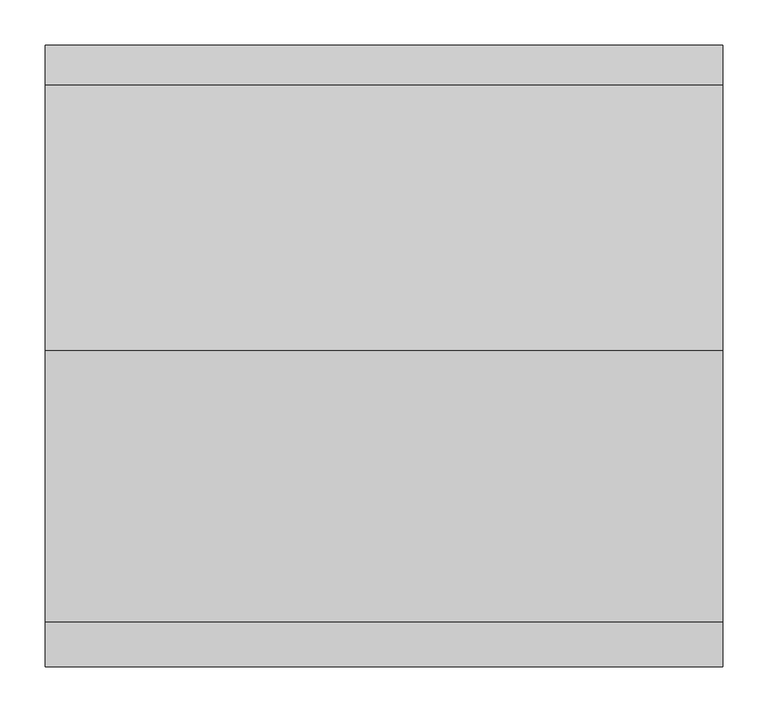
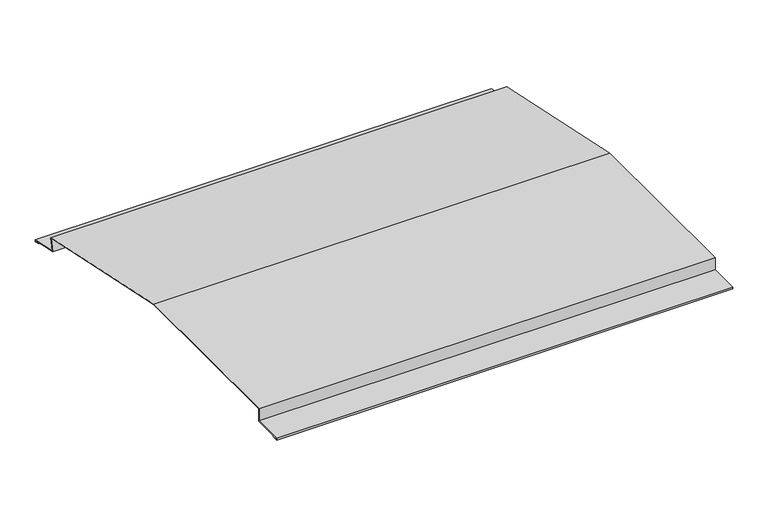
"""IFC4 building model written with IfcOpenShell, lengths in millimetres: proxy geometry."""

from ifc_helpers import new_model, si_unit, frame, origin, place, context, project, spatial, polyline, outline, extrude, source, transform, mapped, element, save


def generic_models_307dcc64(model_context):
    return source(origin(), model_context, "Body", "SweptSolid", [
        extrude(outline(polyline([(-347.2672899, 2.0), (-347.2672899, 5.0), (-297.2672899, 5.0), (-297.2672899, 26.0), (2.7327101, 26.0), (296.1769903, -36.3735072), (291.8108448, -56.9146069), (340.7182249, -67.3101914), (340.0944898, -70.2446342), (330.3130138, -68.1655173), (330.5209255, -67.1873697), (339.3242539, -69.0585749), (339.5321656, -68.0804273), (290.6247855, -57.6848428), (294.990931, -37.1437432), (2.6276059, 25.0), (-296.2672899, 25.0), (-296.2672899, 4.0), (-346.2672899, 4.0), (-346.2672899, 3.0), (-337.2672899, 3.0), (-337.2672899, 2.0), (-347.2672899, 2.0)])), frame((0.0, 0.0, 0.0), z_axis=(1.0, 0.0, 0.0), x_axis=(0.0, 1.0, 0.0)), (0.0, 0.0, 1.0), 750.0),
    ])


if __name__ == "__main__":
    model = new_model("IFC4")
    model_context = context("Model", 3, world=origin())
    ifc_project = project(units=[si_unit("LENGTHUNIT", "METRE", prefix="MILLI")], contexts=[model_context])
    site = spatial("IfcSite", under=ifc_project)
    building = spatial("IfcBuilding", under=site)
    placement = place(None, origin())
    generic_models_shape = generic_models_307dcc64(model_context)
    element("IfcBuildingElementProxy", 1, Name="Generic Models", at=placement, inside=building, context=model_context, shape_type="MappedRepresentation", body=[
        mapped(generic_models_shape, transform((0.0, 0.0, 0.0), x_axis=(1.0, 0.0, 0.0), y_axis=(0.0, 1.0, 0.0), z_axis=(0.0, 0.0, 1.0))),
    ])
    save(model, "model.ifc")
